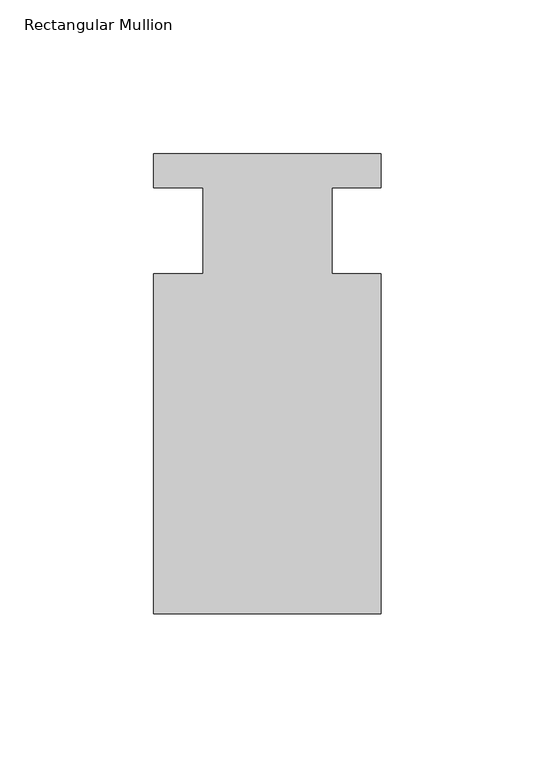
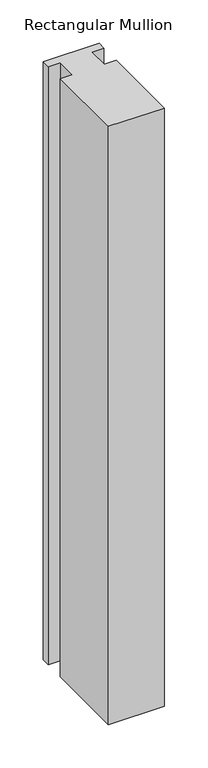
"""IFC4 building model written with IfcOpenShell, lengths in millimetres: member geometry, Rectangular Mullion."""

from ifc_helpers import new_model, si_unit, frame, origin, place, context, project, spatial, polyline, outline, extrude, source, transform, mapped, element, save


def rectangular_mullion_171d0383(model_context):
    return source(origin(), model_context, "Body", "SweptSolid", [
        extrude(outline(polyline([(-20.9800745, -13.9998907), (-20.9800745, 14.0), (-37.0, 14.0), (-37.0, 25.0), (36.9800745, 25.0), (36.9800745, 14.0), (20.9800745, 14.0), (20.9800745, -13.9998907), (37.0, -13.9998907), (37.0, -124.5), (-37.0, -124.5), (-37.0, -13.9998907), (-20.9800745, -13.9998907)])), frame((0.0, 0.0, -839.9204768), z_axis=(0.0, 0.0, 1.0), x_axis=(1.0, 0.0, 0.0)), (0.0, 0.0, 1.0), 839.9204768),
    ])


if __name__ == "__main__":
    model = new_model("IFC4")
    model_context = context("Model", 3, world=origin())
    ifc_project = project(units=[si_unit("LENGTHUNIT", "METRE", prefix="MILLI")], contexts=[model_context])
    site = spatial("IfcSite", under=ifc_project)
    building = spatial("IfcBuilding", under=site)
    placement = place(None, origin())
    rectangular_mullion_shape = rectangular_mullion_171d0383(model_context)
    element("IfcMember", 1, ObjectType="Rectangular Mullion", at=placement, inside=building, context=model_context, shape_type="MappedRepresentation", body=[
        mapped(rectangular_mullion_shape, transform((0.0, 0.0, 0.0), x_axis=(1.0, 0.0, 0.0), y_axis=(0.0, 1.0, 0.0), z_axis=(0.0, 0.0, 1.0))),
    ])
    save(model, "model.ifc")
